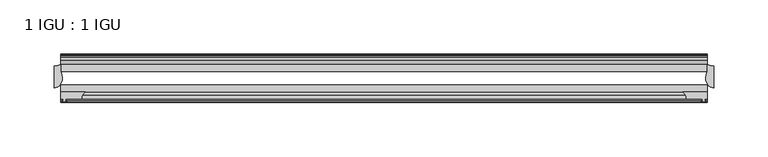
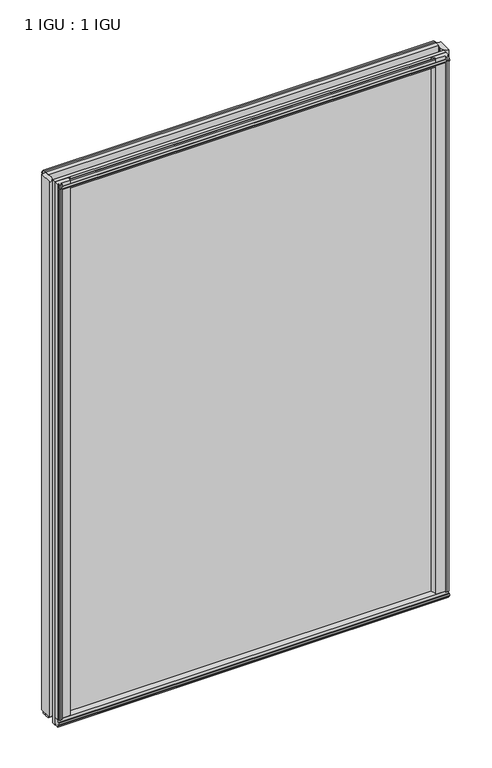
"""IFC4 building model written with IfcOpenShell, lengths in millimetres: plate geometry, 1 IGU : 1 IGU."""

from ifc_helpers import new_model, si_unit, point, frame, frame_2d, origin, origin_with_axes, place, context, project, spatial, polyline, circle_curve, ellipse_curve, trimmed, segment, composite_curve, outline, extrude, source, transform, mapped, element, save
from ifc_brep_helpers import plane_surface, cylinder_surface, revolved_surface, extruded_surface, advanced_brep


def plate_1_igu_1_igu_919eacc8(model_context):
    return source(origin(), model_context, "Body", "SolidModel", [
        extrude(outline(composite_curve([segment(polyline([(275.9114314, -44.9460938), (298.45, -44.9460938), (298.45, -51.2960938), (296.545, -51.2960938), (296.2275, -53.4006957), (297.4334059, -53.0775742), (297.4334059, -53.8927506), (295.275, -54.4710938), (293.1165941, -53.8927506), (293.1165941, -53.0775742), (294.3225, -53.4006957), (294.005, -51.2960938), (279.4, -51.2960938)]), True, "CONTINUOUS"), segment(trimmed(circle_curve(frame_2d((271.9615021, -51.2493858)), 7.4386445), [point((279.4, -51.2960938))], [point((275.9114314, -44.9460938))], True, "CARTESIAN"), True, "CONTINUOUS")], self_intersect=False)), origin_with_axes(), (0.0, 0.0, 1.0), 863.5872998),
        extrude(outline(composite_curve([segment(trimmed(circle_curve(frame_2d((-271.9615021, -51.2493858)), 7.4386445), [point((-275.9114314, -44.9460937))], [point((-279.4, -51.2960937))], True, "CARTESIAN"), True, "CONTINUOUS"), segment(polyline([(-279.4, -51.2960937), (-294.005, -51.2960937), (-294.3225, -53.4006957), (-293.1165941, -53.0775742), (-293.1165941, -53.8927506), (-295.275, -54.4710937), (-297.4334059, -53.8927506), (-297.4334059, -53.0775742), (-296.2275, -53.4006957), (-296.545, -51.2960937), (-298.45, -51.2960937), (-298.45, -44.9460937), (-275.9114314, -44.9460937)]), True, "CONTINUOUS")], self_intersect=False)), origin_with_axes(), (0.0, 0.0, 1.0), 863.5872998),
        extrude(outline(polyline([(-16.1419073, -12.4576852), (-19.5460937, -10.2446077), (-19.5460937, 1.5857863), (-13.1960937, -0.5194908), (-13.1960937, -5.7266852), (-10.8158968, -6.1076852), (-11.27583, -4.6921562), (-10.4746158, -4.6921562), (-9.7670937, -6.8696852), (-10.4746158, -9.0472143), (-11.27583, -9.0472143), (-10.8158968, -7.6316852), (-13.1960937, -8.0126852), (-13.1960937, -12.4576852), (-16.1419073, -12.4576852)])), frame((-298.45, 0.0, 0.0), z_axis=(1.0, 0.0, 0.0), x_axis=(0.0, 1.0, 0.0)), (0.0, 0.0, 1.0), 596.9),
        extrude(outline(polyline([(-48.3502802, -11.938), (-51.2960937, -11.938), (-51.2960937, -7.493), (-53.6762907, -7.112), (-53.2163575, -8.5275291), (-54.0175717, -8.5275291), (-54.7250937, -6.35), (-54.0175717, -4.172471), (-53.2163575, -4.172471), (-53.6762907, -5.588), (-51.2960937, -5.207), (-51.2960937, 0.0001944), (-44.9460937, 2.1054715), (-44.9460937, -9.7249225), (-48.3502802, -11.938)])), frame((-298.45, 0.0, 0.0), z_axis=(1.0, 0.0, 0.0), x_axis=(0.0, 1.0, 0.0)), (0.0, 0.0, 1.0), 596.9),
        extrude(outline(polyline([(-16.1028367, 863.3576852), (-13.1960937, 863.3576852), (-13.1960937, 858.9126852), (-10.8158968, 858.5316852), (-11.27583, 859.9472143), (-10.4746158, 859.9472143), (-9.7670937, 857.7696852), (-10.4746158, 855.5921562), (-11.27583, 855.5921562), (-10.8158968, 857.0076852), (-13.1960937, 856.6266852), (-13.1960937, 851.3940908), (-19.5460937, 849.2888137), (-19.5460937, 861.1192077), (-16.1028367, 863.3576852)])), frame((-298.45, 0.0, 0.0), z_axis=(1.0, 0.0, 0.0), x_axis=(0.0, 1.0, 0.0)), (0.0, 0.0, 1.0), 596.9),
        extrude(outline(polyline([(-48.3893508, 862.8126), (-44.9460937, 860.5741225), (-44.9460937, 848.7437285), (-51.2960937, 850.8490056), (-51.2960937, 856.0816), (-53.6762907, 856.4626), (-53.2163575, 855.047071), (-54.0175717, 855.047071), (-54.7250938, 857.2246), (-54.0175717, 859.4021291), (-53.2163575, 859.4021291), (-53.6762907, 857.9866), (-51.2960937, 858.3676), (-51.2960937, 862.8126), (-48.3893508, 862.8126)])), frame((-298.45, 0.0, 0.0), z_axis=(1.0, 0.0, 0.0), x_axis=(0.0, 1.0, 0.0)), (0.0, 0.0, 1.0), 596.9),
        advanced_brep(
        [(-304.8, -41.2564987, 863.5872998), (-297.2776628, -32.2460937, 863.5872998), (-298.45, -25.8452937, 863.5872998), (-298.45, -19.5460937, 863.5872998), (-304.8, -20.7775816, 863.5872998), (-304.8, -41.2564987, 0.0), (-304.8, -20.7775816, 0.0), (-298.45, -19.5460937, 0.0), (-298.45, -25.8452937, 0.0), (-297.2776628, -32.2460937, 0.0)],
        [
            (0, 1, ellipse_curve(frame((-304.8, -32.2460937, 863.5872998), z_axis=(0.0, 0.0, 1.0), x_axis=(0.0, 1.0, 0.0)), 9.010405, 7.5223372)),
            (1, 2, circle_curve(frame((-315.3375763, -32.2460937, 863.5872998), z_axis=(0.0, 0.0, 1.0), x_axis=(0.0, 1.0, 0.0)), 18.0599135)),
            (2, 3),
            (3, 4, circle_curve(frame((-304.8, -3.7903806, 863.5872998), z_axis=(0.0, 0.0, -1.0), x_axis=(0.0, 1.0, 0.0)), 16.987201)),
            (4, 0),
            (5, 6),
            (6, 7, circle_curve(frame((-304.8, -3.7903806, 0.0), z_axis=(0.0, 0.0, 1.0), x_axis=(0.0, 1.0, 0.0)), 16.987201)),
            (7, 8),
            (8, 9, circle_curve(frame((-315.3375763, -32.2460937, 0.0), z_axis=(0.0, 0.0, -1.0), x_axis=(0.0, 1.0, 0.0)), 18.0599135)),
            (9, 5, ellipse_curve(frame((-304.8, -32.2460937, 0.0), z_axis=(0.0, 0.0, -1.0), x_axis=(0.0, 1.0, 0.0)), 9.010405, 7.5223372)),
            (0, 5),
            (9, 1),
            (4, 6),
            (8, 2),
            (7, 3),
        ],
        [
            plane_surface(frame((-279.4, -13.1960937, 863.5872998), z_axis=(0.0, 0.0, 1.0), x_axis=(0.0, 1.0, 0.0))),
            plane_surface(frame((-279.4, -13.1960937, 0.0), z_axis=(0.0, 0.0, -1.0), x_axis=(0.0, 1.0, 0.0))),
            extruded_surface(trimmed(ellipse_curve(frame((-304.8, -32.2460937, 0.0), z_axis=(0.0, 0.0, 1.0), x_axis=(0.0, 1.0, 0.0)), 9.010405, 7.5223372), [point((-304.8, -41.2564987, 0.0))], [point((-297.2776628, -32.2460937, 0.0))], True, "CARTESIAN"), (0.0, 0.0, 863.5872998), 863.5872998),
            plane_surface(frame((-304.8, -20.7775816, 863.5872998), z_axis=(-1.0, 0.0, 0.0), x_axis=(0.0, 0.0, -1.0))),
            cylinder_surface(frame((-315.3375763, -32.2460937, 863.5872998), z_axis=(0.0, 0.0, 1.0), x_axis=(0.0, 1.0, 0.0)), 18.0599135),
            plane_surface(frame((-298.45, -25.8452937, 863.5872998), z_axis=(1.0, 0.0, 0.0), x_axis=(0.0, 0.0, -1.0))),
            revolved_surface(polyline([(-304.8, 13.196820399999998, 0.0), (-304.8, 13.196820399999998, 863.5872998)]), (-304.8, -3.7903806, 863.5872998), (0.0, 0.0, -1.0)),
        ],
        [
            (0, [[1, 2, 3, 4, 5]]),
            (1, [[6, 7, 8, 9, 10]]),
            (2, [[-1, 11, -10, 12]]),
            (3, [[-5, 13, -6, -11]]),
            (4, [[-2, -12, -9, 14]]),
            (5, [[-3, -14, -8, 15]]),
            (6, [[-4, -15, -7, -13]]),
        ],
    ),
        advanced_brep(
        [(304.8, -41.2564987, 863.5872998), (304.8, -20.7775816, 863.5872998), (298.45, -19.5460938, 863.5872998), (298.45, -25.8452938, 863.5872998), (297.2776628, -32.2460938, 863.5872998), (304.8, -41.2564987, 0.0), (297.2776628, -32.2460938, 0.0), (298.45, -25.8452938, 0.0), (298.45, -19.5460938, 0.0), (304.8, -20.7775816, 0.0)],
        [
            (0, 1),
            (1, 2, circle_curve(frame((304.8, -3.7903806, 863.5872998), z_axis=(0.0, 0.0, -1.0), x_axis=(0.0, 1.0, 0.0)), 16.987201)),
            (2, 3),
            (3, 4, circle_curve(frame((315.3375763, -32.2460938, 863.5872998), z_axis=(0.0, 0.0, 1.0), x_axis=(0.0, 1.0, 0.0)), 18.0599135)),
            (4, 0, ellipse_curve(frame((304.8, -32.2460938, 863.5872998), z_axis=(0.0, 0.0, 1.0), x_axis=(0.0, 1.0, 0.0)), 9.010405, 7.5223372)),
            (5, 6, ellipse_curve(frame((304.8, -32.2460938, 0.0), z_axis=(0.0, 0.0, -1.0), x_axis=(0.0, 1.0, 0.0)), 9.010405, 7.5223372)),
            (6, 7, circle_curve(frame((315.3375763, -32.2460938, 0.0), z_axis=(0.0, 0.0, -1.0), x_axis=(0.0, 1.0, 0.0)), 18.0599135)),
            (7, 8),
            (8, 9, circle_curve(frame((304.8, -3.7903806, 0.0), z_axis=(0.0, 0.0, 1.0), x_axis=(0.0, 1.0, 0.0)), 16.987201)),
            (9, 5),
            (0, 5),
            (9, 1),
            (4, 6),
            (8, 2),
            (7, 3),
        ],
        [
            plane_surface(frame((279.4, -13.1960938, 863.5872998), z_axis=(0.0, 0.0, 1.0), x_axis=(0.0, 1.0, 0.0))),
            plane_surface(frame((279.4, -13.1960938, 0.0), z_axis=(0.0, 0.0, -1.0), x_axis=(0.0, 1.0, 0.0))),
            plane_surface(frame((304.8, -41.2564987, 863.5872998), z_axis=(1.0, 0.0, 0.0), x_axis=(0.0, 0.0, -1.0))),
            extruded_surface(trimmed(ellipse_curve(frame((304.8, -32.2460938, 0.0), z_axis=(0.0, 0.0, 1.0), x_axis=(0.0, 1.0, 0.0)), 9.010405, 7.5223372), [point((297.2776628, -32.2460938, 0.0))], [point((304.8, -41.2564987, 0.0))], True, "CARTESIAN"), (0.0, 0.0, 863.5872998), 863.5872998),
            revolved_surface(polyline([(304.8, 13.196820399999998, 0.0), (304.8, 13.196820399999998, 863.5872998)]), (304.8, -3.7903806, 863.5872998), (0.0, 0.0, -1.0)),
            plane_surface(frame((298.45, -19.5460938, 863.5872998), z_axis=(-1.0, 0.0, 0.0), x_axis=(0.0, 0.0, -1.0))),
            cylinder_surface(frame((315.3375763, -32.2460938, 863.5872998), z_axis=(0.0, 0.0, 1.0), x_axis=(0.0, 1.0, 0.0)), 18.0599135),
        ],
        [
            (0, [[1, 2, 3, 4, 5]]),
            (1, [[6, 7, 8, 9, 10]]),
            (2, [[-1, 11, -10, 12]]),
            (3, [[-5, 13, -6, -11]]),
            (4, [[-2, -12, -9, 14]]),
            (5, [[-3, -14, -8, 15]]),
            (6, [[-4, -15, -7, -13]]),
        ],
    ),
        extrude(outline(polyline([(298.45, -19.5460937), (298.45, -25.8337453), (-298.45, -25.8337453), (-298.45, -19.5460937), (298.45, -19.5460937)])), frame((0.0, 0.0, -12.7), z_axis=(0.0, 0.0, 1.0), x_axis=(1.0, 0.0, 0.0)), (0.0, 0.0, 1.0), 876.2872998),
        extrude(outline(polyline([(-298.45, -44.9460937), (-298.45, -38.6468938), (298.45, -38.6468938), (298.45, -44.9460937), (-298.45, -44.9460937)])), frame((0.0, 0.0, -12.7), z_axis=(0.0, 0.0, 1.0), x_axis=(1.0, 0.0, 0.0)), (0.0, 0.0, 1.0), 876.2872998),
    ])


if __name__ == "__main__":
    model = new_model("IFC4")
    model_context = context("Model", 3, world=origin())
    ifc_project = project(units=[si_unit("LENGTHUNIT", "METRE", prefix="MILLI")], contexts=[model_context])
    site = spatial("IfcSite", under=ifc_project)
    building = spatial("IfcBuilding", under=site)
    placement = place(None, origin())
    plate_1_igu_1_igu_shape = plate_1_igu_1_igu_919eacc8(model_context)
    element("IfcPlate", 1, ObjectType="1 IGU : 1 IGU", at=placement, inside=building, context=model_context, shape_type="MappedRepresentation", body=[
        mapped(plate_1_igu_1_igu_shape, transform((0.0, 0.0, 0.0), x_axis=(1.0, 0.0, 0.0), y_axis=(0.0, 1.0, 0.0), z_axis=(0.0, 0.0, 1.0))),
    ])
    save(model, "model.ifc")
